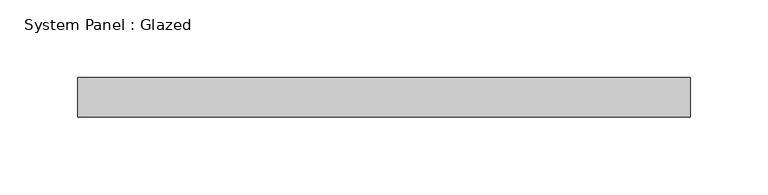
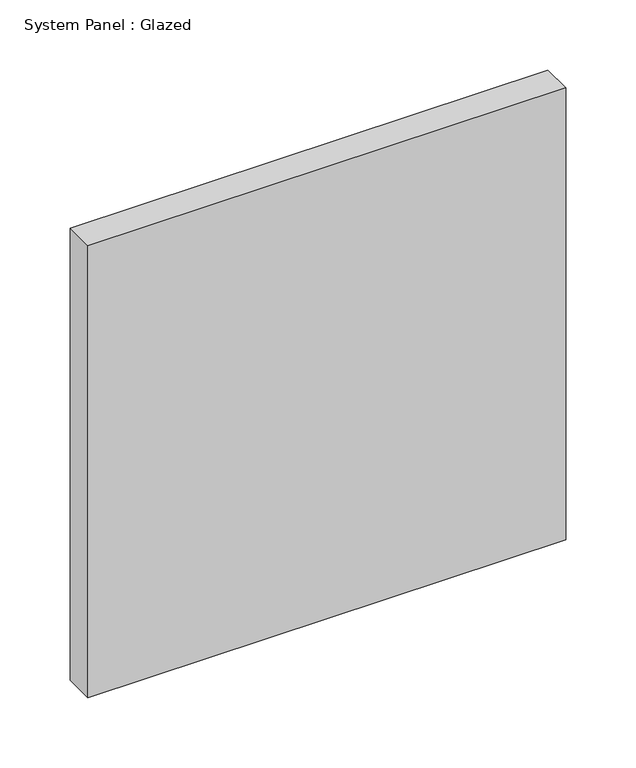
"""IFC4 building model written with IfcOpenShell, lengths in millimetres: plate geometry, System Panel : Glazed."""

from ifc_helpers import new_model, si_unit, origin, origin_with_axes, place, context, project, spatial, polyline, outline, extrude, source, transform, mapped, element, save


def system_panel_glazed_1a71d553(model_context):
    return source(origin(), model_context, "Body", "SweptSolid", [
        extrude(outline(polyline([(196.85, 19.05), (-196.85, 19.05), (-196.85, 44.45), (196.85, 44.45), (196.85, 19.05)])), origin_with_axes(), (0.0, 0.0, 1.0), 393.7),
    ])


if __name__ == "__main__":
    model = new_model("IFC4")
    model_context = context("Model", 3, world=origin())
    ifc_project = project(units=[si_unit("LENGTHUNIT", "METRE", prefix="MILLI")], contexts=[model_context])
    site = spatial("IfcSite", under=ifc_project)
    building = spatial("IfcBuilding", under=site)
    placement = place(None, origin())
    system_panel_glazed_shape = system_panel_glazed_1a71d553(model_context)
    element("IfcPlate", 1, ObjectType="System Panel : Glazed", at=placement, inside=building, context=model_context, shape_type="MappedRepresentation", body=[
        mapped(system_panel_glazed_shape, transform((0.0, 0.0, 0.0), x_axis=(1.0, 0.0, 0.0), y_axis=(0.0, 1.0, 0.0), z_axis=(0.0, 0.0, 1.0))),
    ])
    save(model, "model.ifc")
